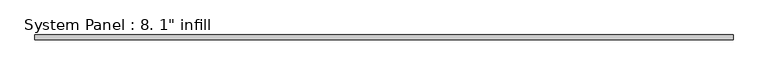
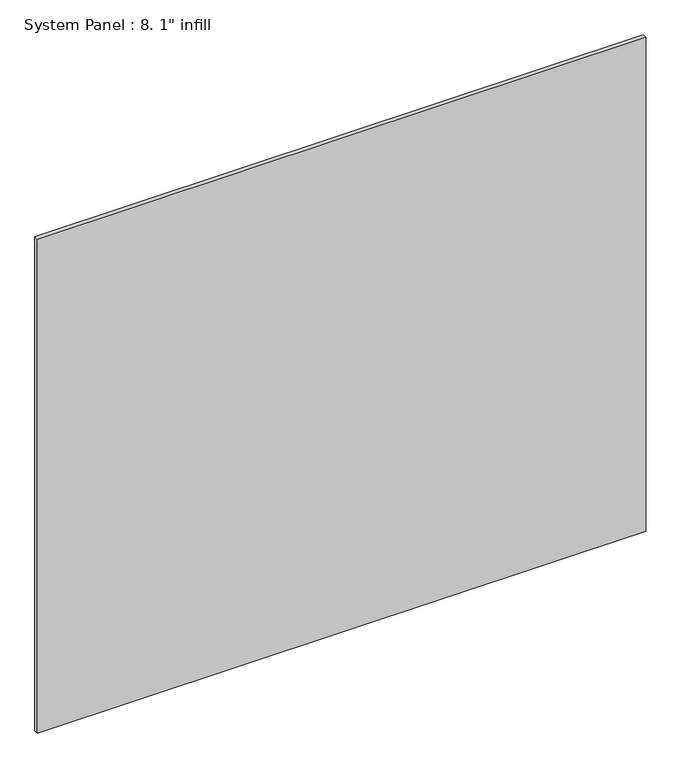
"""IFC4 building model written with IfcOpenShell, lengths in millimetres: plate geometry."""

from ifc_helpers import new_model, si_unit, origin, origin_with_axes, place, context, project, spatial, polyline, outline, extrude, source, transform, mapped, element, save


def plate_f01e69df(model_context):
    return source(origin(), model_context, "Body", "SweptSolid", [
        extrude(outline(polyline([(1776.4125, -25.4), (-1776.4125, -25.4), (-1776.4125, 0.0), (1776.4125, 0.0), (1776.4125, -25.4)])), origin_with_axes(), (0.0, 0.0, 1.0), 3048.0),
    ])


if __name__ == "__main__":
    model = new_model("IFC4")
    model_context = context("Model", 3, world=origin())
    ifc_project = project(units=[si_unit("LENGTHUNIT", "METRE", prefix="MILLI")], contexts=[model_context])
    site = spatial("IfcSite", under=ifc_project)
    building = spatial("IfcBuilding", under=site)
    placement = place(None, origin())
    plate_shape = plate_f01e69df(model_context)
    element("IfcPlate", 1, ObjectType="System Panel : 8. 1\" infill", at=placement, inside=building, context=model_context, shape_type="MappedRepresentation", body=[
        mapped(plate_shape, transform((0.0, 0.0, 0.0), x_axis=(1.0, 0.0, 0.0), y_axis=(0.0, 1.0, 0.0), z_axis=(0.0, 0.0, 1.0))),
    ])
    save(model, "model.ifc")
